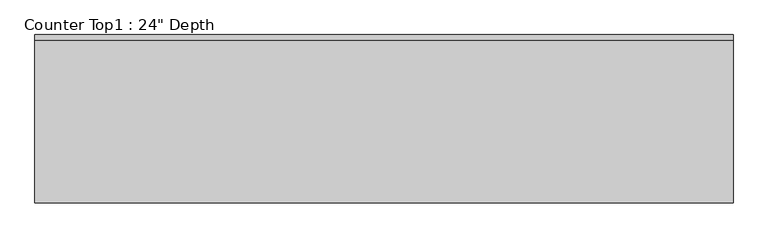
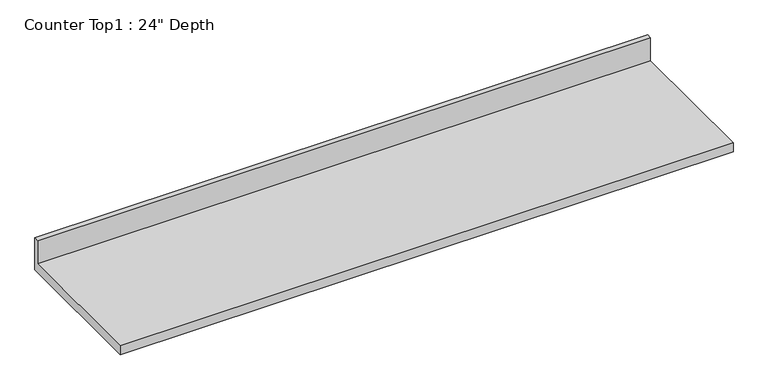
"""IFC4 building model written with IfcOpenShell, lengths in millimetres: furniture geometry."""

from ifc_helpers import new_model, si_unit, frame, origin, place, context, project, spatial, polyline, outline, extrude, source, transform, mapped, element, save


def furniture_8d2de1b6(model_context):
    return source(origin(), model_context, "Body", "SweptSolid", [
        extrude(outline(polyline([(0.0, 1016.0), (0.0, 876.3), (-609.6, 876.3), (-609.6, 914.4), (-19.05, 914.4), (-19.05, 1016.0), (0.0, 1016.0)])), frame((-1200.4622951, 0.0, 0.0), z_axis=(1.0, 0.0, 0.0), x_axis=(0.0, 1.0, 0.0)), (0.0, 0.0, 1.0), 2527.3),
    ])


if __name__ == "__main__":
    model = new_model("IFC4")
    model_context = context("Model", 3, world=origin())
    ifc_project = project(units=[si_unit("LENGTHUNIT", "METRE", prefix="MILLI")], contexts=[model_context])
    site = spatial("IfcSite", under=ifc_project)
    building = spatial("IfcBuilding", under=site)
    placement = place(None, origin())
    furniture_shape = furniture_8d2de1b6(model_context)
    element("IfcFurniture", 1, ObjectType="Counter Top1 : 24\" Depth", at=placement, inside=building, context=model_context, shape_type="MappedRepresentation", body=[
        mapped(furniture_shape, transform((0.0, 0.0, 0.0), x_axis=(1.0, 0.0, 0.0), y_axis=(0.0, 1.0, 0.0), z_axis=(0.0, 0.0, 1.0))),
    ])
    save(model, "model.ifc")
